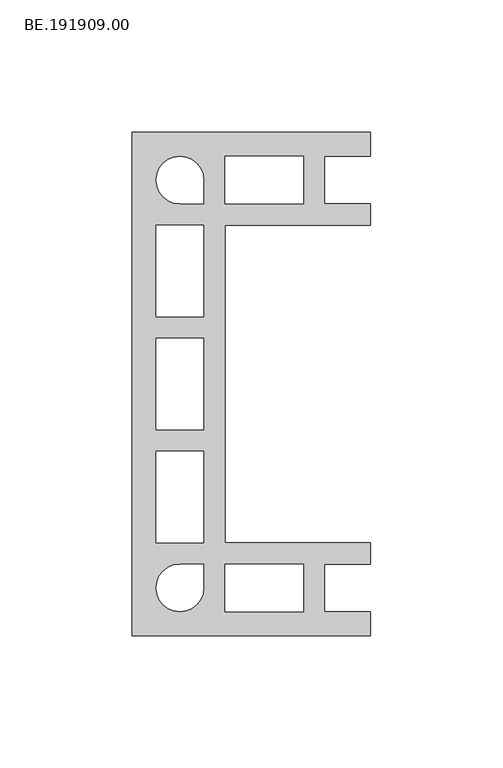
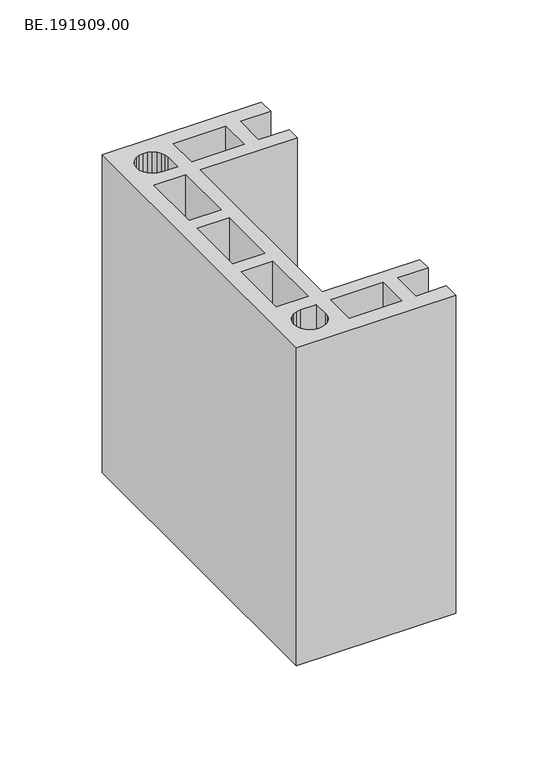
"""IFC4 building model written with IfcOpenShell, lengths in millimetres: proxy geometry, BE.191909.00."""

import ifcopenshell
import ifcopenshell.guid

model = None  # the IFC model being written
_history = None  # IfcOwnerHistory: only IFC2X3 demands one
_inside = {}  # id of a spatial element -> (the spatial element, [elements in it])
_under = {}  # id of a project, library or spatial element -> (it, [spatial elements below it])
_declared = {}  # id of a project -> (the project, [libraries it declares])
_typed = {}  # id of a type object -> (the type object, [elements of that type])
_made_of = {}  # id of a material, layer set ... -> (it, [elements and type objects made of it])


def new_model(schema):
    """Start an empty IFC model of exactly this schema.

    Asked for "IFC4X3", IfcOpenShell would pick the latest addendum, in which some entities
    have other attributes; the version numbers below select the first issue.
    IFC2X3 requires an IfcOwnerHistory on every rooted entity: one is made here for all.
    """
    global model, _history
    if schema == "IFC4X3":
        model = ifcopenshell.file(schema_version=(4, 3, 0, 0))
    else:
        model = ifcopenshell.file(schema=schema)
    _inside.clear()
    _under.clear()
    _declared.clear()
    _typed.clear()
    _made_of.clear()
    _history = None
    if model.schema == "IFC2X3":
        org = make("IfcOrganization", Name="unknown")
        user = make(
            "IfcPersonAndOrganization",
            ThePerson=make("IfcPerson", FamilyName="unknown"),
            TheOrganization=org,
        )
        app = make(
            "IfcApplication",
            ApplicationDeveloper=org,
            Version="unknown",
            ApplicationFullName="unknown",
            ApplicationIdentifier="unknown",
        )
        _history = make(
            "IfcOwnerHistory",
            OwningUser=user,
            OwningApplication=app,
            ChangeAction="ADDED",
            CreationDate=0,
        )
    return model


def make(cls, **values):
    """One entity of the class cls with the attributes given. An attribute that is None is left unset."""
    return model.create_entity(
        cls, **{name: value for name, value in values.items() if value is not None}
    )


def rooted(cls, **values):
    """An entity with a GlobalId (a new one), such as an element, a storey or a relation."""
    return make(cls, GlobalId=ifcopenshell.guid.new(), OwnerHistory=_history, **values)


def si_unit(unit_type, name, prefix=None):
    """IfcSIUnit, for example si_unit("LENGTHUNIT", "METRE", prefix="MILLI")."""
    return make("IfcSIUnit", UnitType=unit_type, Prefix=prefix, Name=name)


def assignment(units):
    """IfcUnitAssignment: the units of a project."""
    return None if units is None else make("IfcUnitAssignment", Units=units)


def point(xyz):
    """IfcCartesianPoint."""
    return None if xyz is None else make("IfcCartesianPoint", Coordinates=xyz)


def direction(xyz):
    """IfcDirection."""
    return None if xyz is None else make("IfcDirection", DirectionRatios=xyz)


def frame(location, z_axis=None, x_axis=None):
    """IfcAxis2Placement3D, a coordinate frame: its origin and axes. An axis left out is left unset."""
    return make(
        "IfcAxis2Placement3D",
        Location=point(location),
        Axis=direction(z_axis),
        RefDirection=direction(x_axis),
    )


def origin():
    """The frame at (0, 0, 0) with its axes left unset."""
    return frame((0.0, 0.0, 0.0))


def origin_with_axes():
    """The frame at (0, 0, 0) with the z axis (0, 0, 1) and the x axis (1, 0, 0) written out."""
    return frame((0.0, 0.0, 0.0), z_axis=(0.0, 0.0, 1.0), x_axis=(1.0, 0.0, 0.0))


def place(relative_to, where):
    """IfcLocalPlacement: puts the frame where relative to a parent placement (None: the world)."""
    return make(
        "IfcLocalPlacement", PlacementRelTo=relative_to, RelativePlacement=where
    )


def context(
    kind, dimensions, precision=None, world=None, true_north=None, identifier=None
):
    """IfcGeometricRepresentationContext, for example the 3D "Model" context."""
    return make(
        "IfcGeometricRepresentationContext",
        ContextIdentifier=identifier,
        ContextType=kind,
        CoordinateSpaceDimension=dimensions,
        Precision=precision,
        WorldCoordinateSystem=world,
        TrueNorth=true_north,
    )


def project(units=None, contexts=None):
    """IfcProject with its units and contexts."""
    return rooted(
        "IfcProject",
        Name="project",
        RepresentationContexts=contexts,
        UnitsInContext=assignment(units),
    )


def spatial(cls, under=None, at=None, **own):
    """A site, building, storey or space (cls), placed at a placement, below another one or the project."""
    s = rooted(cls, ObjectPlacement=at, **own)
    if under is not None:
        _under.setdefault(under.id(), (under, []))[1].append(s)
    return s


def polyline(points):
    """IfcPolyline through the points."""
    return make("IfcPolyline", Points=[point(p) for p in points])


def outline(outer, holes=None, kind="AREA"):
    """IfcArbitraryClosedProfileDef: a profile drawn as a closed curve; with holes, ...WithVoids."""
    if holes is None:
        return make("IfcArbitraryClosedProfileDef", ProfileType=kind, OuterCurve=outer)
    return make(
        "IfcArbitraryProfileDefWithVoids",
        ProfileType=kind,
        OuterCurve=outer,
        InnerCurves=holes,
    )


def extrude(swept, where, along, depth):
    """IfcExtrudedAreaSolid: the profile swept, set in the frame where, extruded along a direction by depth."""
    return make(
        "IfcExtrudedAreaSolid",
        SweptArea=swept,
        Position=where,
        ExtrudedDirection=direction(along),
        Depth=depth,
    )


def shape(context_of_items, identifier, shape_type, items):
    """IfcShapeRepresentation: the items that make up one representation, for example the "Body"."""
    return make(
        "IfcShapeRepresentation",
        ContextOfItems=context_of_items,
        RepresentationIdentifier=identifier,
        RepresentationType=shape_type,
        Items=items,
    )


def source(mapping_origin, context_of_items, identifier, shape_type, items):
    """IfcRepresentationMap: a shape defined once, which mapped items show again and again."""
    return make(
        "IfcRepresentationMap",
        MappingOrigin=mapping_origin,
        MappedRepresentation=shape(context_of_items, identifier, shape_type, items),
    )


def transform(
    local_origin,
    x_axis=None,
    y_axis=None,
    z_axis=None,
    scale=None,
    scale2=None,
    scale3=None,
    uniform=True,
):
    """IfcCartesianTransformationOperator3D, or its non-uniform kind. x_axis, y_axis, z_axis: its Axis1, 2, 3."""
    if uniform:
        return make(
            "IfcCartesianTransformationOperator3D",
            Axis1=direction(x_axis),
            Axis2=direction(y_axis),
            LocalOrigin=point(local_origin),
            Scale=scale,
            Axis3=direction(z_axis),
        )
    return make(
        "IfcCartesianTransformationOperator3DnonUniform",
        Axis1=direction(x_axis),
        Axis2=direction(y_axis),
        LocalOrigin=point(local_origin),
        Scale=scale,
        Axis3=direction(z_axis),
        Scale2=scale2,
        Scale3=scale3,
    )


def mapped(mapping_source, mapping_target):
    """IfcMappedItem: shows the shape of a source again, moved by a transform."""
    return make(
        "IfcMappedItem", MappingSource=mapping_source, MappingTarget=mapping_target
    )


def made_of(thing, what):
    """Note that an element or type object is made of a material, layer set ...; save() writes the relation."""
    if what is not None:
        _made_of.setdefault(what.id(), (what, []))[1].append(thing)
    return thing


def element(
    cls,
    number,
    at=None,
    inside=None,
    cuts=None,
    type_object=None,
    material=None,
    context=None,
    identifier="Body",
    shape_type=None,
    held_by="IfcProductDefinitionShape",
    body=None,
    shapes=None,
    **own,
):
    """One element of the class cls, such as IfcWall. Its Tag is "e" and its number.

    at: its placement. inside: the storey or other place that contains it. cuts: it is an
    opening in that element (IfcRelVoidsElement). A single representation is given by context,
    identifier, shape_type and body (its items); several are given by shapes. held_by: the class
    of the entity that holds the representations. save() writes the other relations.
    """
    e = rooted(cls, Tag="e%d" % number, ObjectPlacement=at, **own)
    if body is not None:
        shapes = [shape(context, identifier, shape_type, body)]
    if shapes is not None:
        e.Representation = make(held_by, Representations=shapes)
    if inside is not None:
        _inside.setdefault(inside.id(), (inside, []))[1].append(e)
    if cuts is not None:
        rooted(
            "IfcRelVoidsElement", RelatingBuildingElement=cuts, RelatedOpeningElement=e
        )
    if type_object is not None:
        _typed.setdefault(type_object.id(), (type_object, []))[1].append(e)
    return made_of(e, material)


def aggregate(whole, parts):
    """IfcRelAggregates: a whole, such as a stair, and the parts it consists of."""
    return rooted("IfcRelAggregates", RelatingObject=whole, RelatedObjects=parts)


def save(model, path):
    """Write the relations noted so far, then the file.

    IfcRelAggregates (storeys below a building ...), IfcRelContainedInSpatialStructure (elements
    in a storey), IfcRelDefinesByType, IfcRelAssociatesMaterial and IfcRelDeclares: one each for
    every whole, place, type object, material and project.
    """
    for whole, parts in _under.values():
        aggregate(whole, parts)
    for where, things in _inside.values():
        rooted(
            "IfcRelContainedInSpatialStructure",
            RelatedElements=things,
            RelatingStructure=where,
        )
    for kind, things in _typed.values():
        rooted("IfcRelDefinesByType", RelatedObjects=things, RelatingType=kind)
    for what, things in _made_of.values():
        rooted("IfcRelAssociatesMaterial", RelatedObjects=things, RelatingMaterial=what)
    for by, libraries in _declared.values():
        rooted("IfcRelDeclares", RelatingContext=by, RelatedDefinitions=libraries)
    model.write(path)


def be_191909_00_69ad0f4c(model_context):
    return source(origin(), model_context, "Body", "SweptSolid", [
        extrude(outline(polyline([(5.0, 95.0050293), (95.0, 95.0050293), (95.0, 85.9823242), (77.7359375, 85.9823242), (77.7359375, 67.9927246), (95.0, 67.9927246), (95.0, 59.9932129), (39.9894043, 59.9932129), (39.9894043, -60.0118164), (95.0, -60.0118164), (95.0, -68.0113281), (77.7359375, -68.0113281), (77.7359375, -86.0195313), (95.0, -86.0195313), (95.0, -95.0050293), (5.0, -95.0050293), (5.0, 95.0050293)]), holes=[polyline([(31.9898926, 67.9927246), (31.9898926, 76.9782227), (31.6922363, 79.3222656), (30.7806641, 81.4802734), (29.3667969, 83.3592285), (27.4878418, 84.7730957), (25.329834, 85.684668), (22.985791, 85.9823242), (20.6603516, 85.684668), (18.5023438, 84.7730957), (16.6233887, 83.3592285), (15.2095215, 81.4802734), (14.2979492, 79.3222656), (14.000293, 76.9782227), (14.2979492, 74.6527832), (15.2095215, 72.4947754), (16.6233887, 70.6158203), (18.5023438, 69.2019531), (20.6603516, 68.2903809), (22.985791, 67.9927246), (31.9898926, 67.9927246)]), polyline([(14.000293, 59.9932129), (14.000293, 25.3225098), (31.9898926, 25.3225098), (31.9898926, 59.9932129), (14.000293, 59.9932129)]), polyline([(14.000293, -25.3534668), (14.000293, -60.0118164), (31.9898926, -60.0118164), (31.9898926, -25.3534668), (14.000293, -25.3534668)]), polyline([(31.9898926, -68.0113281), (22.985791, -68.0113281), (20.6603516, -68.3275879), (18.5023438, -69.2205566), (16.6233887, -70.6530273), (15.2095215, -72.5133789), (14.2979492, -74.6899902), (14.000293, -77.0154297), (14.2979492, -79.3408691), (15.2095215, -81.5174805), (16.6233887, -83.377832), (18.5023438, -84.8103027), (20.6603516, -85.7032715), (22.985791, -86.0195313), (25.329834, -85.7032715), (27.4878418, -84.8103027), (29.3667969, -83.377832), (30.7806641, -81.5174805), (31.6922363, -79.3408691), (31.9898926, -77.0154297), (31.9898926, -68.0113281)]), polyline([(39.9894043, 85.9823242), (39.9894043, 67.9927246), (69.7364258, 67.9927246), (69.7364258, 85.9823242), (39.9894043, 85.9823242)]), polyline([(39.9894043, -68.0113281), (39.9894043, -86.0195313), (69.7364258, -86.0195313), (69.7364258, -68.0113281), (39.9894043, -68.0113281)]), polyline([(14.000293, 17.322998), (14.000293, -17.3477051), (31.9898926, -17.3477051), (31.9898926, 17.322998), (14.000293, 17.322998)])]), origin_with_axes(), (0.0, 0.0, 1.0), 190.0),
    ])


if __name__ == "__main__":
    model = new_model("IFC4")
    model_context = context("Model", 3, world=origin())
    ifc_project = project(units=[si_unit("LENGTHUNIT", "METRE", prefix="MILLI")], contexts=[model_context])
    site = spatial("IfcSite", under=ifc_project)
    building = spatial("IfcBuilding", under=site)
    placement = place(None, origin())
    be_191909_00_shape = be_191909_00_69ad0f4c(model_context)
    element("IfcBuildingElementProxy", 1, Name="BE.191909.00", ObjectType="BE.191909.00", at=placement, inside=building, context=model_context, shape_type="MappedRepresentation", body=[
        mapped(be_191909_00_shape, transform((0.0, 0.0, 0.0), x_axis=(1.0, 0.0, 0.0), y_axis=(0.0, 1.0, 0.0), z_axis=(0.0, 0.0, 1.0))),
    ])
    save(model, "model.ifc")
